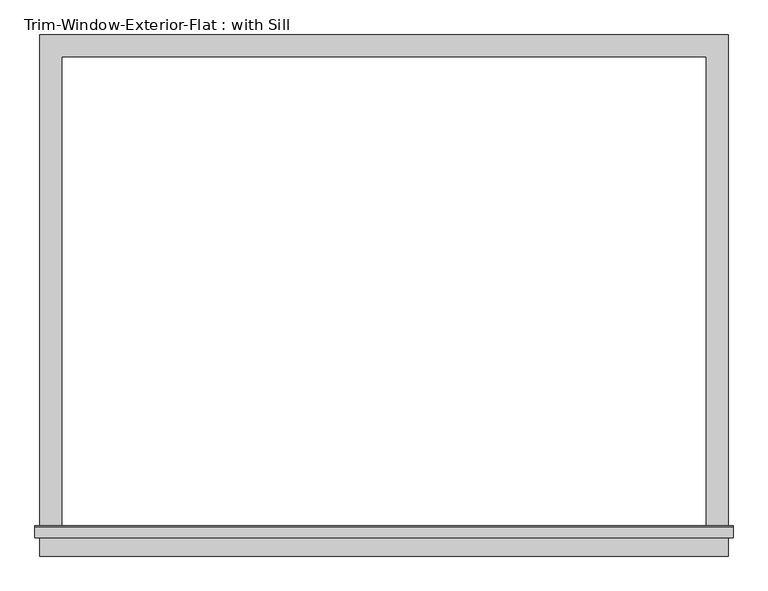
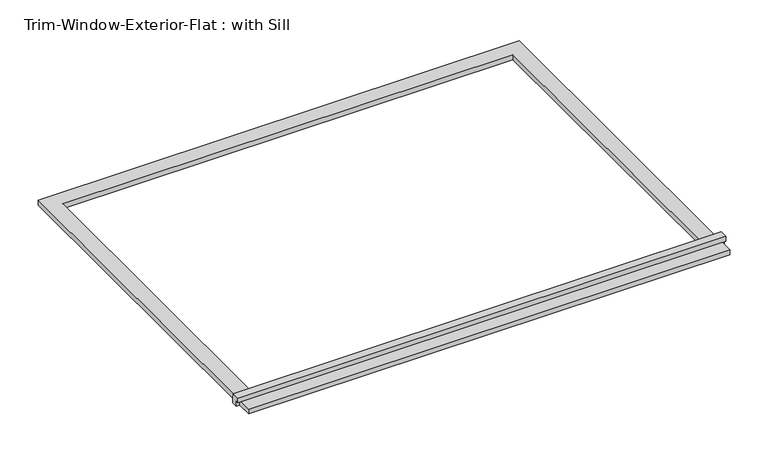
"""IFC4 building model written with IfcOpenShell, lengths in millimetres: proxy geometry, Trim-Window-Exterior-Flat : with Sill."""

from ifc_helpers import new_model, si_unit, frame, origin, origin_with_axes, place, context, project, spatial, polyline, outline, extrude, source, transform, mapped, element, save


def trim_window_exterior_flat_with_sill_5bb5d966(model_context):
    return source(origin(), model_context, "Body", "SweptSolid", [
        extrude(outline(polyline([(895.35, -1241.3823709), (895.35, -1298.5323709), (-895.35, -1298.5323709), (-895.35, -1241.3823709), (895.35, -1241.3823709)])), origin_with_axes(), (0.0, 0.0, 1.0), 19.05),
        extrude(outline(polyline([(-1250.95, 38.1), (-1221.6580645, 38.1), (-1219.2, 19.05), (-1219.2, 0.0), (-1241.3823709, 0.0), (-1241.3823709, 19.05), (-1250.95, 19.05), (-1250.95, 38.1)])), frame((-908.05, 0.0, 0.0), z_axis=(1.0, 0.0, 0.0), x_axis=(0.0, 1.0, 0.0)), (0.0, 0.0, 1.0), 1816.1),
        extrude(outline(polyline([(-895.35, 57.15), (895.35, 57.15), (895.35, -1219.2), (838.2, -1219.2), (838.2, 0.0), (-838.2, 0.0), (-838.2, -1219.2), (-895.35, -1219.2), (-895.35, 57.15)])), origin_with_axes(), (0.0, 0.0, 1.0), 19.05),
    ])


if __name__ == "__main__":
    model = new_model("IFC4")
    model_context = context("Model", 3, world=origin())
    ifc_project = project(units=[si_unit("LENGTHUNIT", "METRE", prefix="MILLI")], contexts=[model_context])
    site = spatial("IfcSite", under=ifc_project)
    building = spatial("IfcBuilding", under=site)
    placement = place(None, origin())
    trim_window_exterior_flat_with_sill_shape = trim_window_exterior_flat_with_sill_5bb5d966(model_context)
    element("IfcBuildingElementProxy", 1, Name="Trim-Window-Exterior-Flat : with Sill", ObjectType="Trim-Window-Exterior-Flat : with Sill", at=placement, inside=building, context=model_context, shape_type="MappedRepresentation", body=[
        mapped(trim_window_exterior_flat_with_sill_shape, transform((0.0, 0.0, 0.0), x_axis=(1.0, 0.0, 0.0), y_axis=(0.0, 1.0, 0.0), z_axis=(0.0, 0.0, 1.0))),
    ])
    save(model, "model.ifc")
